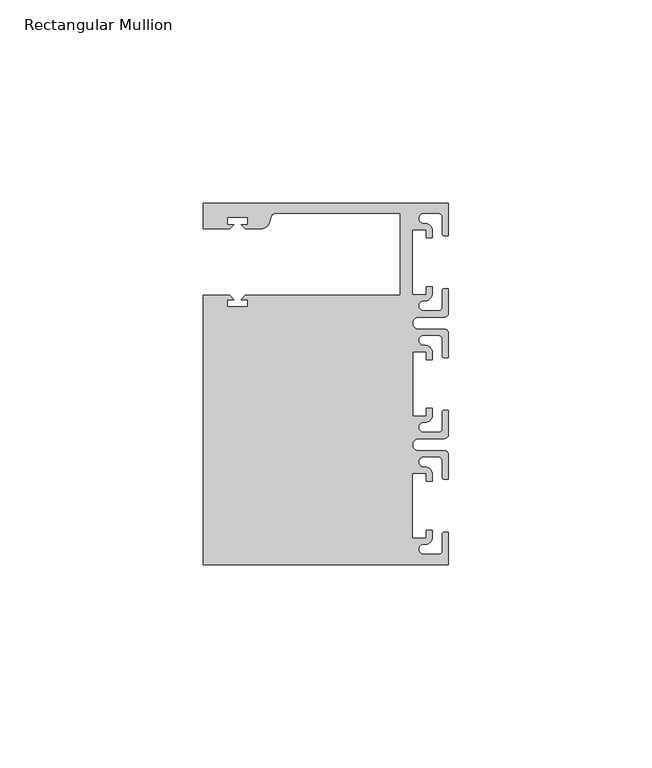
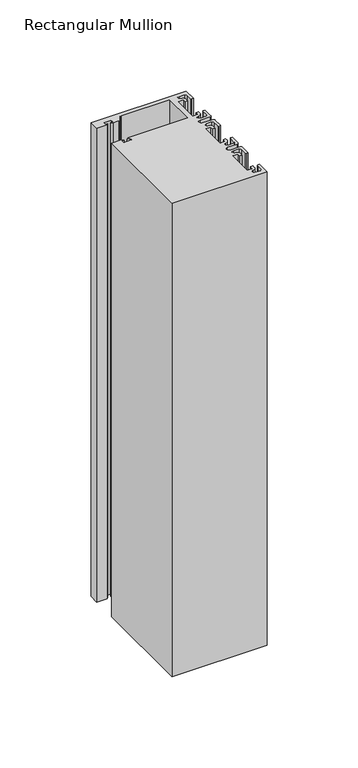
"""IFC4 building model written with IfcOpenShell, lengths in millimetres: member geometry, Rectangular Mullion."""

from ifc_helpers import new_model, si_unit, point, frame, frame_2d, origin, place, context, project, spatial, polyline, circle_curve, trimmed, segment, composite_curve, outline, extrude, source, transform, mapped, element, save


def rectangular_mullion_703fa416(model_context):
    return source(origin(), model_context, "Body", "SweptSolid", [
        extrude(outline(composite_curve([segment(polyline([(0.0, 44.45), (0.0, 36.4500318), (-1.0, 36.4500318)]), True, "CONTINUOUS"), segment(trimmed(circle_curve(frame_2d((-1.0, 36.9500318)), 0.5), [point((-1.0, 36.4500318))], [point((-1.5, 36.9500318))], False, "CARTESIAN"), True, "CONTINUOUS"), segment(polyline([(-1.5, 36.9500318), (-1.5, 40.95)]), True, "CONTINUOUS"), segment(trimmed(circle_curve(frame_2d((-2.5, 40.95)), 1.0), [point((-1.5, 40.95))], [point((-2.5, 41.95))], True, "CARTESIAN"), True, "CONTINUOUS"), segment(polyline([(-2.5, 41.95), (-6.0499986, 41.95)]), True, "CONTINUOUS"), segment(trimmed(circle_curve(frame_2d((-6.0499986, 40.6999986)), 1.2500014), [point((-6.0499986, 41.95))], [point((-5.9027291, 39.4587029))], True, "CARTESIAN"), True, "CONTINUOUS"), segment(trimmed(circle_curve(frame_2d((-5.7186029, 37.7499972)), 1.7185975), [point((-5.9027291, 39.4587029))], [point((-4.0000054, 37.7499972))], False, "CARTESIAN"), True, "CONTINUOUS"), segment(polyline([(-4.0000054, 37.7499972), (-4.0000054, 35.9500318), (-5.5, 35.9500318), (-5.5, 37.9499972), (-8.8585786, 37.9499972), (-8.8585786, 21.9499956), (-5.5, 21.9499956), (-5.5, 23.9499611), (-3.9999946, 23.9499611), (-3.9999946, 22.0272972)]), True, "CONTINUOUS"), segment(trimmed(circle_curve(frame_2d((-5.7543344, 22.1865598)), 1.761554), [point((-3.9999946, 22.0272972))], [point((-6.0499986, 20.4499956))], False, "CARTESIAN"), True, "CONTINUOUS"), segment(trimmed(circle_curve(frame_2d((-6.0499986, 19.1999942)), 1.2500014), [point((-6.0499986, 20.4499956))], [point((-6.0499986, 17.9499929))], True, "CARTESIAN"), True, "CONTINUOUS"), segment(polyline([(-6.0499986, 17.9499929), (-2.5, 17.9499929)]), True, "CONTINUOUS"), segment(trimmed(circle_curve(frame_2d((-2.5, 18.9499929)), 1.0), [point((-2.5, 17.9499929))], [point((-1.5, 18.9499929))], True, "CARTESIAN"), True, "CONTINUOUS"), segment(polyline([(-1.5, 18.9499929), (-1.5, 22.9499611)]), True, "CONTINUOUS"), segment(trimmed(circle_curve(frame_2d((-1.0, 22.9499611)), 0.5), [point((-1.5, 22.9499611))], [point((-1.0, 23.4499611))], False, "CARTESIAN"), True, "CONTINUOUS"), segment(polyline([(-1.0, 23.4499611), (0.0, 23.4499611), (0.0, 17.4499929)]), True, "CONTINUOUS"), segment(trimmed(circle_curve(frame_2d((-1.0, 17.4499929)), 1.0), [point((0.0, 17.4499929))], [point((-1.0, 16.4499929))], False, "CARTESIAN"), True, "CONTINUOUS"), segment(polyline([(-1.0, 16.4499929), (-7.3, 16.4499929)]), True, "CONTINUOUS"), segment(trimmed(circle_curve(frame_2d((-7.3, 14.9499929)), 1.5), [point((-7.3, 16.4499929))], [point((-7.3046244, 13.45))], True, "CARTESIAN"), True, "CONTINUOUS"), segment(polyline([(-7.3046244, 13.45), (-1.0, 13.45)]), True, "CONTINUOUS"), segment(trimmed(circle_curve(frame_2d((-1.0, 12.45)), 1.0), [point((-1.0, 13.45))], [point((0.0, 12.45))], False, "CARTESIAN"), True, "CONTINUOUS"), segment(polyline([(0.0, 12.45), (0.0, 6.4500354), (-0.9999964, 6.4500354)]), True, "CONTINUOUS"), segment(trimmed(circle_curve(frame_2d((-0.9999964, 6.9500354)), 0.5), [point((-0.9999964, 6.4500354))], [point((-1.4999964, 6.9500354))], False, "CARTESIAN"), True, "CONTINUOUS"), segment(polyline([(-1.4999964, 6.9500354), (-1.4999964, 10.95)]), True, "CONTINUOUS"), segment(trimmed(circle_curve(frame_2d((-2.4999964, 10.95)), 1.0), [point((-1.4999964, 10.95))], [point((-2.4999964, 11.95))], True, "CARTESIAN"), True, "CONTINUOUS"), segment(polyline([(-2.4999964, 11.95), (-6.0499986, 11.95)]), True, "CONTINUOUS"), segment(trimmed(circle_curve(frame_2d((-6.0499986, 10.6999986)), 1.2500014), [point((-6.0499986, 11.95))], [point((-6.0499986, 9.4499972))], True, "CARTESIAN"), True, "CONTINUOUS"), segment(trimmed(circle_curve(frame_2d((-5.7298824, 7.7499972)), 1.729877), [point((-6.0499986, 9.4499972))], [point((-4.0000054, 7.7499972))], False, "CARTESIAN"), True, "CONTINUOUS"), segment(polyline([(-4.0000054, 7.7499972), (-4.0000054, 5.9500318), (-5.5, 5.9500318), (-5.5, 7.9499972), (-8.8, 7.9499972), (-8.8, -7.9499972), (-5.5, -7.9499972), (-5.5, -5.9500318), (-4.0000054, -5.9500318), (-4.0000054, -7.7499972)]), True, "CONTINUOUS"), segment(trimmed(circle_curve(frame_2d((-5.7298824, -7.7499972)), 1.729877), [point((-4.0000054, -7.7499972))], [point((-6.0499986, -9.4499972))], False, "CARTESIAN"), True, "CONTINUOUS"), segment(trimmed(circle_curve(frame_2d((-6.0499986, -10.6999986)), 1.2500014), [point((-6.0499986, -9.4499972))], [point((-6.0499986, -11.95))], True, "CARTESIAN"), True, "CONTINUOUS"), segment(polyline([(-6.0499986, -11.95), (-2.4999964, -11.95)]), True, "CONTINUOUS"), segment(trimmed(circle_curve(frame_2d((-2.4999964, -10.95)), 1.0), [point((-2.4999964, -11.95))], [point((-1.4999964, -10.95))], True, "CARTESIAN"), True, "CONTINUOUS"), segment(polyline([(-1.4999964, -10.95), (-1.4999964, -6.9500354)]), True, "CONTINUOUS"), segment(trimmed(circle_curve(frame_2d((-0.9999964, -6.9500354)), 0.5), [point((-1.4999964, -6.9500354))], [point((-0.9999964, -6.4500354))], False, "CARTESIAN"), True, "CONTINUOUS"), segment(polyline([(-0.9999964, -6.4500354), (0.0, -6.4500354), (0.0, -12.45)]), True, "CONTINUOUS"), segment(trimmed(circle_curve(frame_2d((-1.0, -12.45)), 1.0), [point((0.0, -12.45))], [point((-1.0, -13.45))], False, "CARTESIAN"), True, "CONTINUOUS"), segment(polyline([(-1.0, -13.45), (-7.3046244, -13.45)]), True, "CONTINUOUS"), segment(trimmed(circle_curve(frame_2d((-7.3, -14.9499929)), 1.5), [point((-7.3046244, -13.45))], [point((-7.3, -16.4499929))], True, "CARTESIAN"), True, "CONTINUOUS"), segment(polyline([(-7.3, -16.4499929), (-1.0, -16.4499929)]), True, "CONTINUOUS"), segment(trimmed(circle_curve(frame_2d((-1.0, -17.4499929)), 1.0), [point((-1.0, -16.4499929))], [point((0.0, -17.4499929))], False, "CARTESIAN"), True, "CONTINUOUS"), segment(polyline([(0.0, -17.4499929), (0.0, -23.4499611), (-1.0, -23.4499611)]), True, "CONTINUOUS"), segment(trimmed(circle_curve(frame_2d((-1.0, -22.9499611)), 0.5), [point((-1.0, -23.4499611))], [point((-1.5, -22.9499611))], False, "CARTESIAN"), True, "CONTINUOUS"), segment(polyline([(-1.5, -22.9499611), (-1.5, -18.9499929)]), True, "CONTINUOUS"), segment(trimmed(circle_curve(frame_2d((-2.5, -18.9499929)), 1.0), [point((-1.5, -18.9499929))], [point((-2.5, -17.9499929))], True, "CARTESIAN"), True, "CONTINUOUS"), segment(polyline([(-2.5, -17.9499929), (-6.0499986, -17.9499929)]), True, "CONTINUOUS"), segment(trimmed(circle_curve(frame_2d((-6.0499986, -19.1999942)), 1.2500014), [point((-6.0499986, -17.9499929))], [point((-6.0499986, -20.4499956))], True, "CARTESIAN"), True, "CONTINUOUS"), segment(trimmed(circle_curve(frame_2d((-5.7543344, -22.1865598)), 1.761554), [point((-6.0499986, -20.4499956))], [point((-3.9999946, -22.0272972))], False, "CARTESIAN"), True, "CONTINUOUS"), segment(polyline([(-3.9999946, -22.0272972), (-3.9999946, -23.9499611), (-5.5, -23.9499611), (-5.5, -21.9499956), (-8.8585786, -21.9499956), (-8.8585786, -37.9499972), (-5.5, -37.9499972), (-5.5, -35.9500318), (-4.0000054, -35.9500318), (-4.0000054, -37.7499972)]), True, "CONTINUOUS"), segment(trimmed(circle_curve(frame_2d((-5.7186029, -37.7499972)), 1.7185975), [point((-4.0000054, -37.7499972))], [point((-5.9027291, -39.4587029))], False, "CARTESIAN"), True, "CONTINUOUS"), segment(trimmed(circle_curve(frame_2d((-6.0499986, -40.6999986)), 1.2500014), [point((-5.9027291, -39.4587029))], [point((-6.0499986, -41.95))], True, "CARTESIAN"), True, "CONTINUOUS"), segment(polyline([(-6.0499986, -41.95), (-2.5, -41.95)]), True, "CONTINUOUS"), segment(trimmed(circle_curve(frame_2d((-2.5, -40.95)), 1.0), [point((-2.5, -41.95))], [point((-1.5, -40.95))], True, "CARTESIAN"), True, "CONTINUOUS"), segment(polyline([(-1.5, -40.95), (-1.5, -36.9500318)]), True, "CONTINUOUS"), segment(trimmed(circle_curve(frame_2d((-1.0, -36.9500318)), 0.5), [point((-1.5, -36.9500318))], [point((-1.0, -36.4500318))], False, "CARTESIAN"), True, "CONTINUOUS"), segment(polyline([(-1.0, -36.4500318), (0.0, -36.4500318), (0.0, -44.45), (-60.325, -44.45), (-60.325, 21.749999), (-53.8507562, 21.749999), (-52.8507405, 20.7499834), (-54.4250134, 20.7499834), (-54.4250134, 18.949936), (-49.4250186, 18.949936), (-49.4250186, 20.7499834), (-50.999256, 20.7499834), (-49.9992434, 21.7499959), (-11.8, 21.7499959), (-11.8, 41.95), (-42.6099329, 41.95)]), True, "CONTINUOUS"), segment(trimmed(circle_curve(frame_2d((-42.6099329, 40.9500001)), 1.0), [point((-42.6099329, 41.95))], [point((-43.5758588, 41.2088192))], True, "CARTESIAN"), True, "CONTINUOUS"), segment(polyline([(-43.5758588, 41.2088192), (-43.8989707, 40.002949)]), True, "CONTINUOUS"), segment(trimmed(circle_curve(frame_2d((-46.3137853, 40.6499966)), 2.5), [point((-43.8989707, 40.002949))], [point((-46.3137853, 38.1499966))], False, "CARTESIAN"), True, "CONTINUOUS"), segment(polyline([(-46.3137853, 38.1499966), (-49.9992503, 38.1499966), (-50.999256, 39.1500023), (-49.4249831, 39.1500023), (-49.4249831, 40.9498819), (-54.4249778, 40.9498819), (-54.4249778, 39.1500023), (-52.8507405, 39.1500023), (-53.8507531, 38.1499897), (-60.3249977, 38.1499897), (-60.3249977, 44.45), (0.0, 44.45)]), True, "CONTINUOUS")], self_intersect=False)), frame((0.0, 0.0, -317.5), z_axis=(0.0, 0.0, 1.0), x_axis=(1.0, 0.0, 0.0)), (0.0, 0.0, 1.0), 317.5),
    ])


if __name__ == "__main__":
    model = new_model("IFC4")
    model_context = context("Model", 3, world=origin())
    ifc_project = project(units=[si_unit("LENGTHUNIT", "METRE", prefix="MILLI")], contexts=[model_context])
    site = spatial("IfcSite", under=ifc_project)
    building = spatial("IfcBuilding", under=site)
    placement = place(None, origin())
    rectangular_mullion_shape = rectangular_mullion_703fa416(model_context)
    element("IfcMember", 1, ObjectType="Rectangular Mullion", at=placement, inside=building, context=model_context, shape_type="MappedRepresentation", body=[
        mapped(rectangular_mullion_shape, transform((0.0, 0.0, 0.0), x_axis=(1.0, 0.0, 0.0), y_axis=(0.0, 1.0, 0.0), z_axis=(0.0, 0.0, 1.0))),
    ])
    save(model, "model.ifc")
